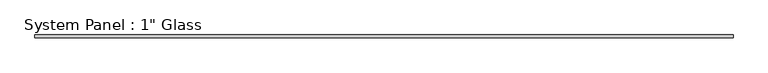
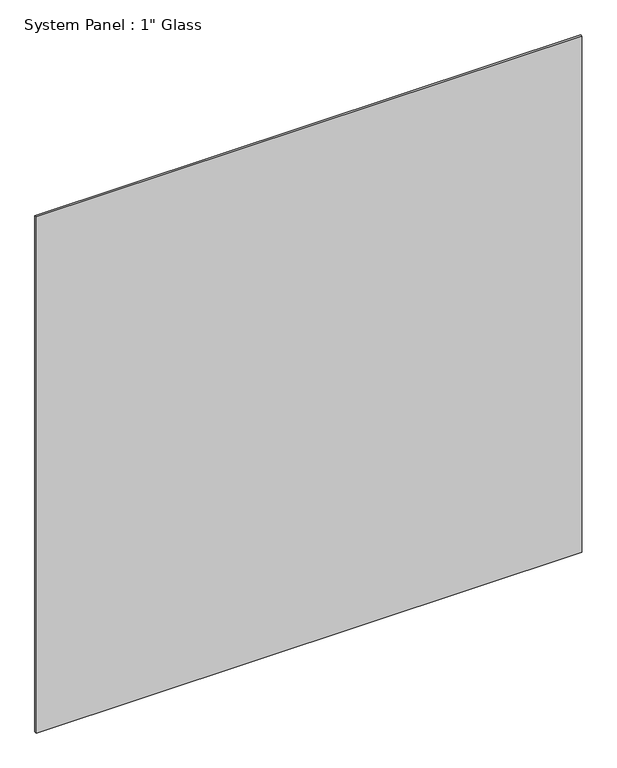
"""IFC4 building model written with IfcOpenShell, lengths in millimetres: plate geometry."""

from ifc_helpers import new_model, si_unit, origin, origin_with_axes, place, context, project, spatial, polyline, outline, extrude, source, transform, mapped, element, save


def plate_ee96d404(model_context):
    return source(origin(), model_context, "Body", "SweptSolid", [
        extrude(outline(polyline([(727.075, -12.7), (-727.075, -12.7), (-727.075, -6.35), (727.075, -6.35), (727.075, -12.7)])), origin_with_axes(), (0.0, 0.0, 1.0), 1454.15),
    ])


if __name__ == "__main__":
    model = new_model("IFC4")
    model_context = context("Model", 3, world=origin())
    ifc_project = project(units=[si_unit("LENGTHUNIT", "METRE", prefix="MILLI")], contexts=[model_context])
    site = spatial("IfcSite", under=ifc_project)
    building = spatial("IfcBuilding", under=site)
    placement = place(None, origin())
    plate_shape = plate_ee96d404(model_context)
    element("IfcPlate", 1, ObjectType="System Panel : 1\" Glass", at=placement, inside=building, context=model_context, shape_type="MappedRepresentation", body=[
        mapped(plate_shape, transform((0.0, 0.0, 0.0), x_axis=(1.0, 0.0, 0.0), y_axis=(0.0, 1.0, 0.0), z_axis=(0.0, 0.0, 1.0))),
    ])
    save(model, "model.ifc")
